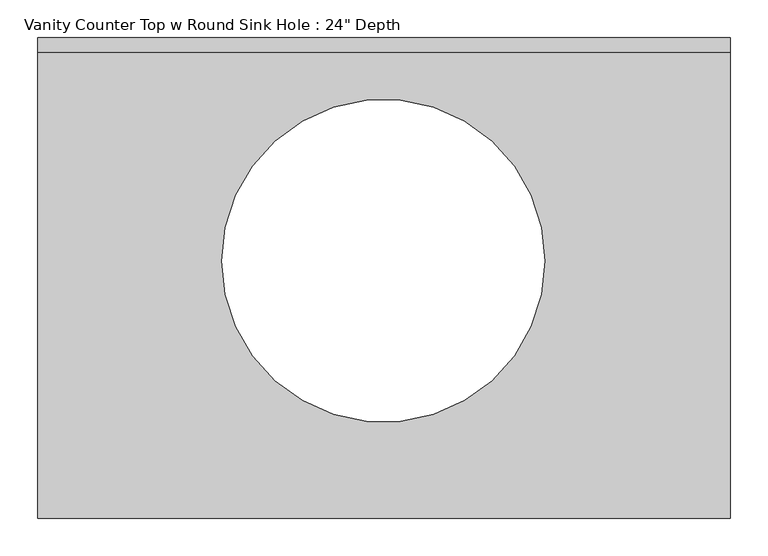
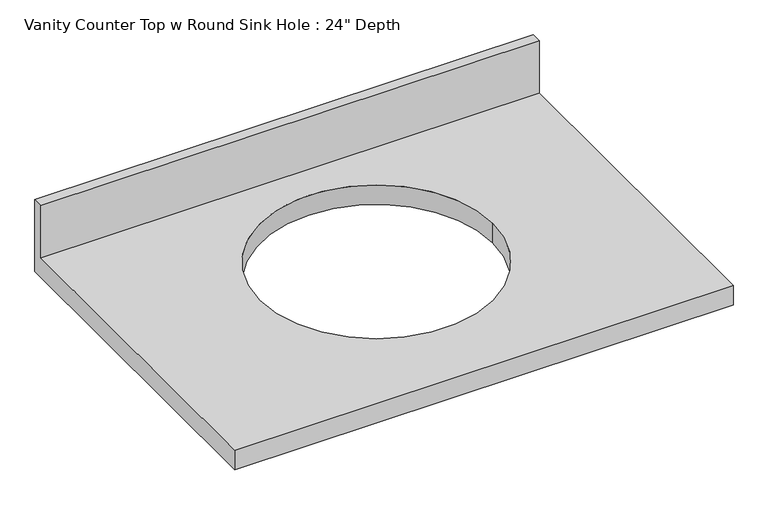
"""IFC4 building model written with IfcOpenShell, lengths in millimetres: furniture geometry."""

from ifc_helpers import new_model, si_unit, frame, origin, place, context, project, spatial, polyline, circle_curve, source, transform, mapped, element, save
from ifc_brep_helpers import plane_surface, revolved_surface, advanced_brep


def furniture_eaa59d4f(model_context):
    return source(origin(), model_context, "Body", "AdvancedBrep", [
        advanced_brep(
        [(-1327.4622951, -635.0, 787.4), (-413.0622951, -635.0, 787.4), (-413.0622951, -19.05, 787.4), (-1327.4622951, -19.05, 787.4), (-657.6613189, -294.8332632, 787.4), (-1084.3650835, -294.8332632, 787.4), (-413.0622951, 0.0, 749.3), (-413.0622951, -635.0, 749.3), (-1327.4622951, -635.0, 749.3), (-1327.4622951, 0.0, 749.3), (-1084.3650835, -294.8332632, 749.3), (-657.6613189, -294.8332632, 749.3), (-1327.4622951, 0.0, 889.0), (-413.0622951, 0.0, 889.0), (-1327.4622951, -19.05, 889.0), (-413.0622951, -19.05, 889.0)],
        [
            (0, 1),
            (1, 2),
            (2, 3),
            (3, 0),
            (4, 5, circle_curve(frame((-871.0132012, -294.8332632, 787.4), z_axis=(0.0, 0.0, -1.0), x_axis=(1.0, 0.0, 0.0)), 213.3518823)),
            (5, 4, circle_curve(frame((-871.0132012, -294.8332632, 787.4), z_axis=(0.0, 0.0, -1.0), x_axis=(1.0, 0.0, 0.0)), 213.3518823)),
            (6, 7),
            (7, 8),
            (8, 9),
            (9, 6),
            (10, 11, circle_curve(frame((-871.0132012, -294.8332632, 749.3), z_axis=(0.0, 0.0, 1.0), x_axis=(1.0, 0.0, 0.0)), 213.3518823)),
            (11, 10, circle_curve(frame((-871.0132012, -294.8332632, 749.3), z_axis=(0.0, 0.0, 1.0), x_axis=(1.0, 0.0, 0.0)), 213.3518823)),
            (9, 12),
            (12, 13),
            (13, 6),
            (8, 0),
            (3, 14),
            (14, 12),
            (7, 1),
            (13, 15),
            (15, 2),
            (14, 15),
            (4, 11),
            (10, 5),
        ],
        [
            plane_surface(frame((-1327.4622951, 0.0, 787.4), z_axis=(0.0, 0.0, 1.0), x_axis=(-1.0, 0.0, 0.0))),
            plane_surface(frame((-1327.4622951, 0.0, 749.3), z_axis=(0.0, 0.0, -1.0), x_axis=(1.0, 0.0, 0.0))),
            plane_surface(frame((-413.0622951, 0.0, 787.4), z_axis=(0.0, 1.0, 0.0), x_axis=(0.0, 0.0, -1.0))),
            plane_surface(frame((-1327.4622951, 0.0, 787.4), z_axis=(-1.0, 0.0, 0.0), x_axis=(0.0, 0.0, -1.0))),
            plane_surface(frame((-1327.4622951, -635.0, 787.4), z_axis=(0.0, -1.0, 0.0), x_axis=(0.0, 0.0, -1.0))),
            plane_surface(frame((-413.0622951, -635.0, 787.4), z_axis=(1.0, 0.0, 0.0), x_axis=(0.0, 0.0, -1.0))),
            plane_surface(frame((-1327.4622951, 0.0, 889.0), z_axis=(0.0, 0.0, 1.0), x_axis=(0.0, -1.0, 0.0))),
            plane_surface(frame((-1327.4622951, -19.05, 889.0), z_axis=(0.0, -1.0, 0.0), x_axis=(0.0, 0.0, -1.0))),
            revolved_surface(polyline([(-657.6613189, -294.8332632, 787.4), (-657.6613189, -294.8332632, 749.3)]), (-871.0132012, -294.8332632, 749.3), (0.0, 0.0, 1.0)),
        ],
        [
            (0, [[1, 2, 3, 4], [5, 6]]),
            (1, [[7, 8, 9, 10], [11, 12]]),
            (2, [[-10, 13, 14, 15]]),
            (3, [[-9, 16, -4, 17, 18, -13]]),
            (4, [[-1, -16, -8, 19]]),
            (5, [[-7, -15, 20, 21, -2, -19]]),
            (6, [[-18, 22, -20, -14]]),
            (7, [[-22, -17, -3, -21]]),
            (8, [[23, -11, 24, -5]]),
            (8, [[-23, -6, -24, -12]]),
        ],
    ),
    ])


if __name__ == "__main__":
    model = new_model("IFC4")
    model_context = context("Model", 3, world=origin())
    ifc_project = project(units=[si_unit("LENGTHUNIT", "METRE", prefix="MILLI")], contexts=[model_context])
    site = spatial("IfcSite", under=ifc_project)
    building = spatial("IfcBuilding", under=site)
    placement = place(None, origin())
    furniture_shape = furniture_eaa59d4f(model_context)
    element("IfcFurniture", 1, ObjectType="Vanity Counter Top w Round Sink Hole : 24\" Depth", at=placement, inside=building, context=model_context, shape_type="MappedRepresentation", body=[
        mapped(furniture_shape, transform((0.0, 0.0, 0.0), x_axis=(1.0, 0.0, 0.0), y_axis=(0.0, 1.0, 0.0), z_axis=(0.0, 0.0, 1.0))),
    ])
    save(model, "model.ifc")
